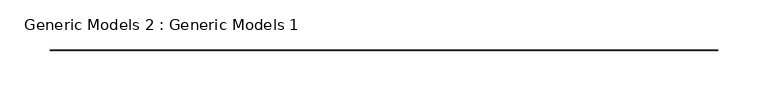
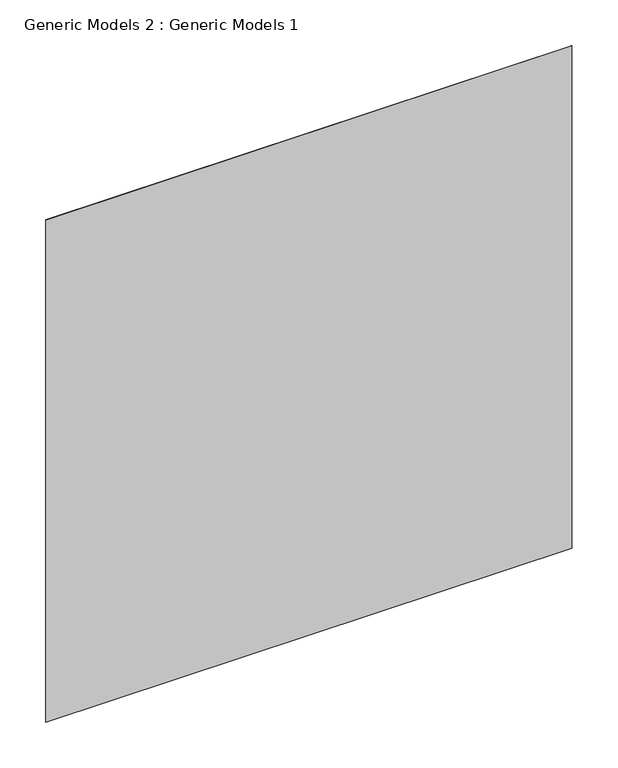
"""IFC4 building model written with IfcOpenShell, lengths in millimetres: proxy geometry, Generic Models 2 : Generic Models 1."""

from ifc_helpers import new_model, si_unit, frame, origin, place, context, project, spatial, polyline, outline, extrude, source, transform, mapped, element, save


def generic_models_2_generic_models_1_287be404(model_context):
    return source(origin(), model_context, "Body", "SweptSolid", [
        extrude(outline(polyline([(-5839.9767622, 7452.5100772), (-6506.7267622, 7452.5100772), (-6506.7267622, 7453.2340714), (-5839.9767622, 7453.2340714), (-5839.9767622, 7452.5100772)])), frame((0.0, 0.0, 1765.325346), z_axis=(0.0, 0.0, 1.0), x_axis=(1.0, 0.0, 0.0)), (0.0, 0.0, 1.0), 673.1),
    ])


if __name__ == "__main__":
    model = new_model("IFC4")
    model_context = context("Model", 3, world=origin())
    ifc_project = project(units=[si_unit("LENGTHUNIT", "METRE", prefix="MILLI")], contexts=[model_context])
    site = spatial("IfcSite", under=ifc_project)
    building = spatial("IfcBuilding", under=site)
    placement = place(None, origin())
    generic_models_2_generic_models_1_shape = generic_models_2_generic_models_1_287be404(model_context)
    element("IfcBuildingElementProxy", 1, Name="Generic Models 2 : Generic Models 1", ObjectType="Generic Models 2 : Generic Models 1", at=placement, inside=building, context=model_context, shape_type="MappedRepresentation", body=[
        mapped(generic_models_2_generic_models_1_shape, transform((0.0, 0.0, 0.0), x_axis=(1.0, 0.0, 0.0), y_axis=(0.0, 1.0, 0.0), z_axis=(0.0, 0.0, 1.0))),
    ])
    save(model, "model.ifc")
